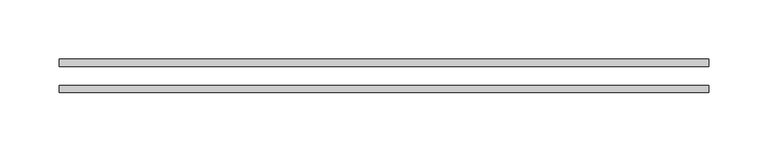
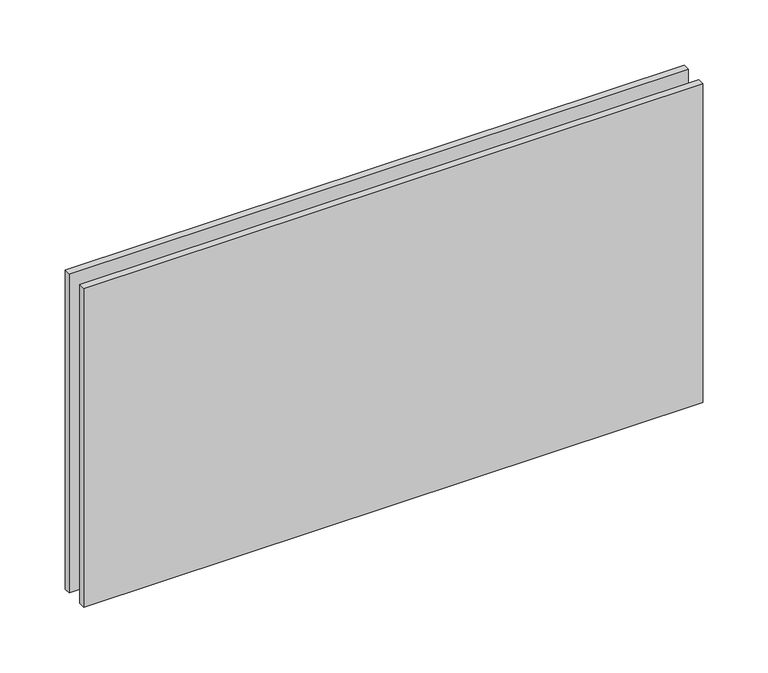
"""IFC4 building model written with IfcOpenShell, lengths in millimetres: plate geometry."""

from ifc_helpers import new_model, si_unit, origin, origin_with_axes, place, context, project, spatial, polyline, outline, extrude, source, transform, mapped, element, save


def plate_9db76eb9(model_context):
    return source(origin(), model_context, "Body", "SweptSolid", [
        extrude(outline(polyline([(-273.3498477, 14.0), (273.3498477, 14.0), (273.3498477, 8.0), (-273.3498477, 8.0), (-273.3498477, 14.0)])), origin_with_axes(), (0.0, 0.0, 1.0), 298.0924145),
        extrude(outline(polyline([(-273.3498477, -8.0), (273.3498477, -8.0), (273.3498477, -14.0), (-273.3498477, -14.0), (-273.3498477, -8.0)])), origin_with_axes(), (0.0, 0.0, 1.0), 298.0924145),
    ])


if __name__ == "__main__":
    model = new_model("IFC4")
    model_context = context("Model", 3, world=origin())
    ifc_project = project(units=[si_unit("LENGTHUNIT", "METRE", prefix="MILLI")], contexts=[model_context])
    site = spatial("IfcSite", under=ifc_project)
    building = spatial("IfcBuilding", under=site)
    placement = place(None, origin())
    plate_shape = plate_9db76eb9(model_context)
    element("IfcPlate", 1, at=placement, inside=building, context=model_context, shape_type="MappedRepresentation", body=[
        mapped(plate_shape, transform((0.0, 0.0, 0.0), x_axis=(1.0, 0.0, 0.0), y_axis=(0.0, 1.0, 0.0), z_axis=(0.0, 0.0, 1.0))),
    ])
    save(model, "model.ifc")
